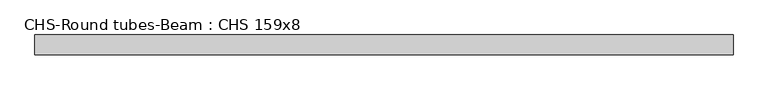
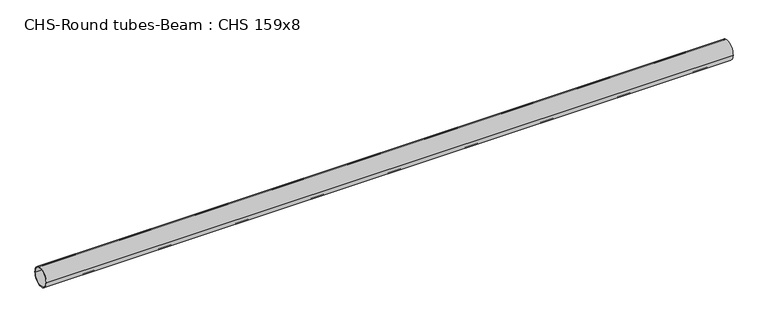
"""IFC4 building model written with IfcOpenShell, lengths in millimetres: beam geometry, CHS-Round tubes-Beam : CHS 159x8."""

from ifc_helpers import new_model, si_unit, point, frame, origin, origin_2d, place, context, project, spatial, circle_curve, trimmed, segment, composite_curve, outline, extrude, source, transform, mapped, element, save


def chs_round_tubes_beam_chs_159x8_5dff9eda(model_context):
    return source(origin(), model_context, "Body", "SweptSolid", [
        extrude(outline(composite_curve([segment(trimmed(circle_curve(origin_2d(), 79.5), [point((79.5, 0.0))], [point((-79.5, 0.0))], False, "CARTESIAN"), True, "CONTINUOUS"), segment(trimmed(circle_curve(origin_2d(), 79.5), [point((-79.5, 0.0))], [point((79.5, 0.0))], False, "CARTESIAN"), True, "CONTINUOUS")], self_intersect=False), holes=[composite_curve([segment(trimmed(circle_curve(origin_2d(), 71.5), [point((71.5, 0.0))], [point((-71.5, 0.0))], True, "CARTESIAN"), True, "CONTINUOUS"), segment(trimmed(circle_curve(origin_2d(), 71.5), [point((-71.5, 0.0))], [point((71.5, 0.0))], True, "CARTESIAN"), True, "CONTINUOUS")], self_intersect=False)]), frame((-2815.0112854, 0.0, 0.0), z_axis=(1.0, 0.0, 0.0), x_axis=(0.0, 1.0, 0.0)), (0.0, 0.0, 1.0), 5636.3575402),
    ])


if __name__ == "__main__":
    model = new_model("IFC4")
    model_context = context("Model", 3, world=origin())
    ifc_project = project(units=[si_unit("LENGTHUNIT", "METRE", prefix="MILLI")], contexts=[model_context])
    site = spatial("IfcSite", under=ifc_project)
    building = spatial("IfcBuilding", under=site)
    placement = place(None, origin())
    chs_round_tubes_beam_chs_159x8_shape = chs_round_tubes_beam_chs_159x8_5dff9eda(model_context)
    element("IfcBeam", 1, ObjectType="CHS-Round tubes-Beam : CHS 159x8", at=placement, inside=building, context=model_context, shape_type="MappedRepresentation", body=[
        mapped(chs_round_tubes_beam_chs_159x8_shape, transform((0.0, 0.0, 0.0), x_axis=(1.0, 0.0, 0.0), y_axis=(0.0, 1.0, 0.0), z_axis=(0.0, 0.0, 1.0))),
    ])
    save(model, "model.ifc")
